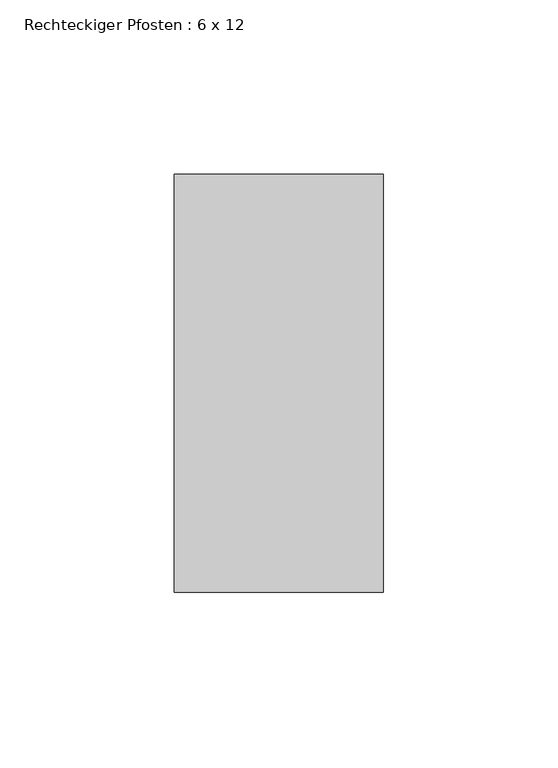
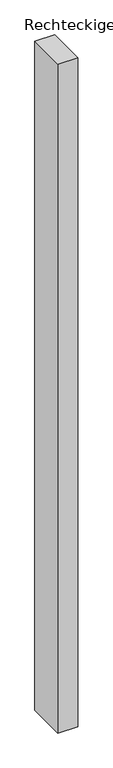
"""IFC4 building model written with IfcOpenShell, lengths in millimetres: member geometry, Rechteckiger Pfosten : 6 x 12."""

from ifc_helpers import new_model, si_unit, frame, origin, place, context, project, spatial, polyline, outline, extrude, source, transform, mapped, element, save


def rechteckiger_pfosten_6_x_12_356a22a9(model_context):
    return source(origin(), model_context, "Body", "SweptSolid", [
        extrude(outline(polyline([(0.0, 60.0), (0.0, -60.0), (-60.0, -60.0), (-60.0, 60.0), (0.0, 60.0)])), frame((0.0, 0.0, -2140.0), z_axis=(0.0, 0.0, 1.0), x_axis=(1.0, 0.0, 0.0)), (0.0, 0.0, 1.0), 2140.0),
    ])


if __name__ == "__main__":
    model = new_model("IFC4")
    model_context = context("Model", 3, world=origin())
    ifc_project = project(units=[si_unit("LENGTHUNIT", "METRE", prefix="MILLI")], contexts=[model_context])
    site = spatial("IfcSite", under=ifc_project)
    building = spatial("IfcBuilding", under=site)
    placement = place(None, origin())
    rechteckiger_pfosten_6_x_12_shape = rechteckiger_pfosten_6_x_12_356a22a9(model_context)
    element("IfcMember", 1, ObjectType="Rechteckiger Pfosten : 6 x 12", at=placement, inside=building, context=model_context, shape_type="MappedRepresentation", body=[
        mapped(rechteckiger_pfosten_6_x_12_shape, transform((0.0, 0.0, 0.0), x_axis=(1.0, 0.0, 0.0), y_axis=(0.0, 1.0, 0.0), z_axis=(0.0, 0.0, 1.0))),
    ])
    save(model, "model.ifc")
